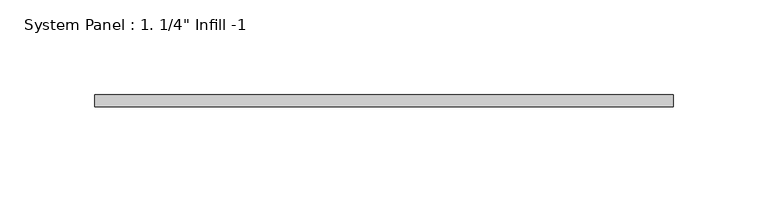
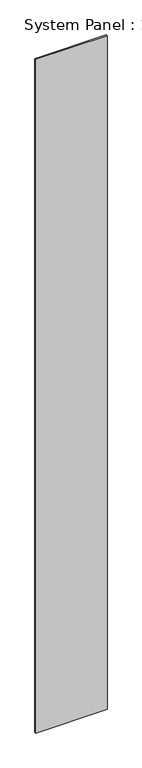
"""IFC4 building model written with IfcOpenShell, lengths in millimetres: plate geometry."""

from ifc_helpers import new_model, si_unit, origin, origin_with_axes, place, context, project, spatial, polyline, outline, extrude, source, transform, mapped, element, save


def plate_e0a68ae3(model_context):
    return source(origin(), model_context, "Body", "SweptSolid", [
        extrude(outline(polyline([(152.4741645, 19.05), (-152.4741645, 19.05), (-152.4741645, 25.4), (152.4741645, 25.4), (152.4741645, 19.05)])), origin_with_axes(), (0.0, 0.0, 1.0), 3048.0),
    ])


if __name__ == "__main__":
    model = new_model("IFC4")
    model_context = context("Model", 3, world=origin())
    ifc_project = project(units=[si_unit("LENGTHUNIT", "METRE", prefix="MILLI")], contexts=[model_context])
    site = spatial("IfcSite", under=ifc_project)
    building = spatial("IfcBuilding", under=site)
    placement = place(None, origin())
    plate_shape = plate_e0a68ae3(model_context)
    element("IfcPlate", 1, ObjectType="System Panel : 1. 1/4\" Infill -1", at=placement, inside=building, context=model_context, shape_type="MappedRepresentation", body=[
        mapped(plate_shape, transform((0.0, 0.0, 0.0), x_axis=(1.0, 0.0, 0.0), y_axis=(0.0, 1.0, 0.0), z_axis=(0.0, 0.0, 1.0))),
    ])
    save(model, "model.ifc")
